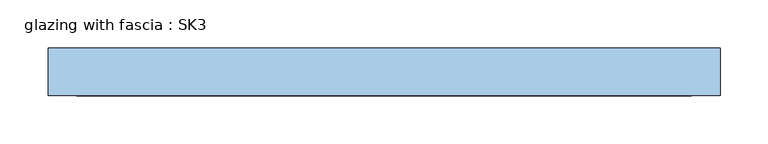
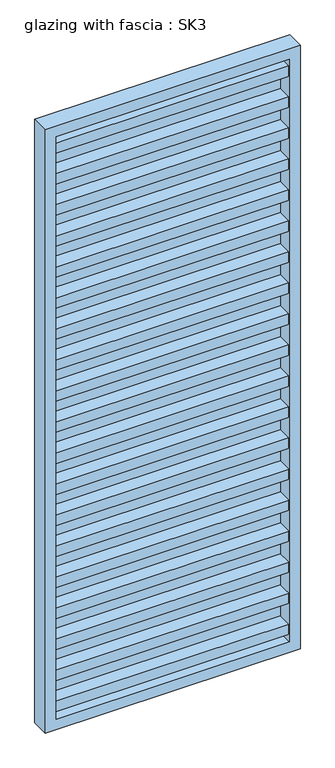
"""IFC4 building model written with IfcOpenShell, lengths in millimetres: window geometry, glazing with fascia : SK3."""

import ifcopenshell
import ifcopenshell.guid

model = None  # the IFC model being written
_history = None  # IfcOwnerHistory: only IFC2X3 demands one
_inside = {}  # id of a spatial element -> (the spatial element, [elements in it])
_under = {}  # id of a project, library or spatial element -> (it, [spatial elements below it])
_declared = {}  # id of a project -> (the project, [libraries it declares])
_typed = {}  # id of a type object -> (the type object, [elements of that type])
_made_of = {}  # id of a material, layer set ... -> (it, [elements and type objects made of it])


def new_model(schema):
    """Start an empty IFC model of exactly this schema.

    Asked for "IFC4X3", IfcOpenShell would pick the latest addendum, in which some entities
    have other attributes; the version numbers below select the first issue.
    IFC2X3 requires an IfcOwnerHistory on every rooted entity: one is made here for all.
    """
    global model, _history
    if schema == "IFC4X3":
        model = ifcopenshell.file(schema_version=(4, 3, 0, 0))
    else:
        model = ifcopenshell.file(schema=schema)
    _inside.clear()
    _under.clear()
    _declared.clear()
    _typed.clear()
    _made_of.clear()
    _history = None
    if model.schema == "IFC2X3":
        org = make("IfcOrganization", Name="unknown")
        user = make(
            "IfcPersonAndOrganization",
            ThePerson=make("IfcPerson", FamilyName="unknown"),
            TheOrganization=org,
        )
        app = make(
            "IfcApplication",
            ApplicationDeveloper=org,
            Version="unknown",
            ApplicationFullName="unknown",
            ApplicationIdentifier="unknown",
        )
        _history = make(
            "IfcOwnerHistory",
            OwningUser=user,
            OwningApplication=app,
            ChangeAction="ADDED",
            CreationDate=0,
        )
    return model


def make(cls, **values):
    """One entity of the class cls with the attributes given. An attribute that is None is left unset."""
    return model.create_entity(
        cls, **{name: value for name, value in values.items() if value is not None}
    )


def rooted(cls, **values):
    """An entity with a GlobalId (a new one), such as an element, a storey or a relation."""
    return make(cls, GlobalId=ifcopenshell.guid.new(), OwnerHistory=_history, **values)


def si_unit(unit_type, name, prefix=None):
    """IfcSIUnit, for example si_unit("LENGTHUNIT", "METRE", prefix="MILLI")."""
    return make("IfcSIUnit", UnitType=unit_type, Prefix=prefix, Name=name)


def assignment(units):
    """IfcUnitAssignment: the units of a project."""
    return None if units is None else make("IfcUnitAssignment", Units=units)


def point(xyz):
    """IfcCartesianPoint."""
    return None if xyz is None else make("IfcCartesianPoint", Coordinates=xyz)


def direction(xyz):
    """IfcDirection."""
    return None if xyz is None else make("IfcDirection", DirectionRatios=xyz)


def frame(location, z_axis=None, x_axis=None):
    """IfcAxis2Placement3D, a coordinate frame: its origin and axes. An axis left out is left unset."""
    return make(
        "IfcAxis2Placement3D",
        Location=point(location),
        Axis=direction(z_axis),
        RefDirection=direction(x_axis),
    )


def origin():
    """The frame at (0, 0, 0) with its axes left unset."""
    return frame((0.0, 0.0, 0.0))


def place(relative_to, where):
    """IfcLocalPlacement: puts the frame where relative to a parent placement (None: the world)."""
    return make(
        "IfcLocalPlacement", PlacementRelTo=relative_to, RelativePlacement=where
    )


def context(
    kind, dimensions, precision=None, world=None, true_north=None, identifier=None
):
    """IfcGeometricRepresentationContext, for example the 3D "Model" context."""
    return make(
        "IfcGeometricRepresentationContext",
        ContextIdentifier=identifier,
        ContextType=kind,
        CoordinateSpaceDimension=dimensions,
        Precision=precision,
        WorldCoordinateSystem=world,
        TrueNorth=true_north,
    )


def project(units=None, contexts=None):
    """IfcProject with its units and contexts."""
    return rooted(
        "IfcProject",
        Name="project",
        RepresentationContexts=contexts,
        UnitsInContext=assignment(units),
    )


def spatial(cls, under=None, at=None, **own):
    """A site, building, storey or space (cls), placed at a placement, below another one or the project."""
    s = rooted(cls, ObjectPlacement=at, **own)
    if under is not None:
        _under.setdefault(under.id(), (under, []))[1].append(s)
    return s


def polyline(points):
    """IfcPolyline through the points."""
    return make("IfcPolyline", Points=[point(p) for p in points])


def outline(outer, holes=None, kind="AREA"):
    """IfcArbitraryClosedProfileDef: a profile drawn as a closed curve; with holes, ...WithVoids."""
    if holes is None:
        return make("IfcArbitraryClosedProfileDef", ProfileType=kind, OuterCurve=outer)
    return make(
        "IfcArbitraryProfileDefWithVoids",
        ProfileType=kind,
        OuterCurve=outer,
        InnerCurves=holes,
    )


def extrude(swept, where, along, depth):
    """IfcExtrudedAreaSolid: the profile swept, set in the frame where, extruded along a direction by depth."""
    return make(
        "IfcExtrudedAreaSolid",
        SweptArea=swept,
        Position=where,
        ExtrudedDirection=direction(along),
        Depth=depth,
    )


def shape(context_of_items, identifier, shape_type, items):
    """IfcShapeRepresentation: the items that make up one representation, for example the "Body"."""
    return make(
        "IfcShapeRepresentation",
        ContextOfItems=context_of_items,
        RepresentationIdentifier=identifier,
        RepresentationType=shape_type,
        Items=items,
    )


def source(mapping_origin, context_of_items, identifier, shape_type, items):
    """IfcRepresentationMap: a shape defined once, which mapped items show again and again."""
    return make(
        "IfcRepresentationMap",
        MappingOrigin=mapping_origin,
        MappedRepresentation=shape(context_of_items, identifier, shape_type, items),
    )


def transform(
    local_origin,
    x_axis=None,
    y_axis=None,
    z_axis=None,
    scale=None,
    scale2=None,
    scale3=None,
    uniform=True,
):
    """IfcCartesianTransformationOperator3D, or its non-uniform kind. x_axis, y_axis, z_axis: its Axis1, 2, 3."""
    if uniform:
        return make(
            "IfcCartesianTransformationOperator3D",
            Axis1=direction(x_axis),
            Axis2=direction(y_axis),
            LocalOrigin=point(local_origin),
            Scale=scale,
            Axis3=direction(z_axis),
        )
    return make(
        "IfcCartesianTransformationOperator3DnonUniform",
        Axis1=direction(x_axis),
        Axis2=direction(y_axis),
        LocalOrigin=point(local_origin),
        Scale=scale,
        Axis3=direction(z_axis),
        Scale2=scale2,
        Scale3=scale3,
    )


def mapped(mapping_source, mapping_target):
    """IfcMappedItem: shows the shape of a source again, moved by a transform."""
    return make(
        "IfcMappedItem", MappingSource=mapping_source, MappingTarget=mapping_target
    )


def made_of(thing, what):
    """Note that an element or type object is made of a material, layer set ...; save() writes the relation."""
    if what is not None:
        _made_of.setdefault(what.id(), (what, []))[1].append(thing)
    return thing


def element(
    cls,
    number,
    at=None,
    inside=None,
    cuts=None,
    type_object=None,
    material=None,
    context=None,
    identifier="Body",
    shape_type=None,
    held_by="IfcProductDefinitionShape",
    body=None,
    shapes=None,
    **own,
):
    """One element of the class cls, such as IfcWall. Its Tag is "e" and its number.

    at: its placement. inside: the storey or other place that contains it. cuts: it is an
    opening in that element (IfcRelVoidsElement). A single representation is given by context,
    identifier, shape_type and body (its items); several are given by shapes. held_by: the class
    of the entity that holds the representations. save() writes the other relations.
    """
    e = rooted(cls, Tag="e%d" % number, ObjectPlacement=at, **own)
    if body is not None:
        shapes = [shape(context, identifier, shape_type, body)]
    if shapes is not None:
        e.Representation = make(held_by, Representations=shapes)
    if inside is not None:
        _inside.setdefault(inside.id(), (inside, []))[1].append(e)
    if cuts is not None:
        rooted(
            "IfcRelVoidsElement", RelatingBuildingElement=cuts, RelatedOpeningElement=e
        )
    if type_object is not None:
        _typed.setdefault(type_object.id(), (type_object, []))[1].append(e)
    return made_of(e, material)


def aggregate(whole, parts):
    """IfcRelAggregates: a whole, such as a stair, and the parts it consists of."""
    return rooted("IfcRelAggregates", RelatingObject=whole, RelatedObjects=parts)


def save(model, path):
    """Write the relations noted so far, then the file.

    IfcRelAggregates (storeys below a building ...), IfcRelContainedInSpatialStructure (elements
    in a storey), IfcRelDefinesByType, IfcRelAssociatesMaterial and IfcRelDeclares: one each for
    every whole, place, type object, material and project.
    """
    for whole, parts in _under.values():
        aggregate(whole, parts)
    for where, things in _inside.values():
        rooted(
            "IfcRelContainedInSpatialStructure",
            RelatedElements=things,
            RelatingStructure=where,
        )
    for kind, things in _typed.values():
        rooted("IfcRelDefinesByType", RelatedObjects=things, RelatingType=kind)
    for what, things in _made_of.values():
        rooted("IfcRelAssociatesMaterial", RelatedObjects=things, RelatingMaterial=what)
    for by, libraries in _declared.values():
        rooted("IfcRelDeclares", RelatingContext=by, RelatedDefinitions=libraries)
    model.write(path)


def glazing_with_fascia_sk3_a3fac17d(model_context):
    return source(origin(), model_context, "Body", "SweptSolid", [
        extrude(outline(polyline([(320.0, -0.1334055), (320.0, -8.1334055), (-320.0, -8.1334055), (-320.0, -0.1334055), (320.0, -0.1334055)])), frame((0.0, 0.0, 30.0), z_axis=(0.0, 0.0, 1.0), x_axis=(1.0, 0.0, 0.0)), (0.0, 0.0, 1.0), 1690.0),
        extrude(outline(polyline([(1750.0, -350.0), (0.0, -350.0), (0.0, 350.0), (1750.0, 350.0), (1750.0, -350.0)]), holes=[polyline([(1720.0, -320.0), (1720.0, 320.0), (30.0, 320.0), (30.0, -320.0), (1720.0, -320.0)])]), frame((0.0, -50.0, 0.0), z_axis=(0.0, 1.0, 0.0), x_axis=(0.0, 0.0, 1.0)), (0.0, 0.0, 1.0), 50.0),
        extrude(outline(polyline([(-320.0, -48.1334055), (-320.0, -8.1334055), (320.0, -8.1334055), (320.0, -48.1334055), (-320.0, -48.1334055)])), frame((0.0, 0.0, 1580.4), z_axis=(0.0, 0.0, 1.0), x_axis=(1.0, 0.0, 0.0)), (0.0, 0.0, 1.0), 30.0),
        extrude(outline(polyline([(-320.0, -48.1334055), (-320.0, -8.1334055), (320.0, -8.1334055), (320.0, -48.1334055), (-320.0, -48.1334055)])), frame((0.0, 0.0, 1490.4), z_axis=(0.0, 0.0, 1.0), x_axis=(1.0, 0.0, 0.0)), (0.0, 0.0, 1.0), 30.0),
        extrude(outline(polyline([(-320.0, -48.1334055), (-320.0, -8.1334055), (320.0, -8.1334055), (320.0, -48.1334055), (-320.0, -48.1334055)])), frame((0.0, 0.0, 1400.4), z_axis=(0.0, 0.0, 1.0), x_axis=(1.0, 0.0, 0.0)), (0.0, 0.0, 1.0), 30.0),
        extrude(outline(polyline([(-320.0, -48.1334055), (-320.0, -8.1334055), (320.0, -8.1334055), (320.0, -48.1334055), (-320.0, -48.1334055)])), frame((0.0, 0.0, 1310.4), z_axis=(0.0, 0.0, 1.0), x_axis=(1.0, 0.0, 0.0)), (0.0, 0.0, 1.0), 30.0),
        extrude(outline(polyline([(-320.0, -48.1334055), (-320.0, -8.1334055), (320.0, -8.1334055), (320.0, -48.1334055), (-320.0, -48.1334055)])), frame((0.0, 0.0, 1220.4), z_axis=(0.0, 0.0, 1.0), x_axis=(1.0, 0.0, 0.0)), (0.0, 0.0, 1.0), 30.0),
        extrude(outline(polyline([(-320.0, -48.1334055), (-320.0, -8.1334055), (320.0, -8.1334055), (320.0, -48.1334055), (-320.0, -48.1334055)])), frame((0.0, 0.0, 1130.4), z_axis=(0.0, 0.0, 1.0), x_axis=(1.0, 0.0, 0.0)), (0.0, 0.0, 1.0), 30.0),
        extrude(outline(polyline([(-320.0, -48.1334055), (-320.0, -8.1334055), (320.0, -8.1334055), (320.0, -48.1334055), (-320.0, -48.1334055)])), frame((0.0, 0.0, 1040.4), z_axis=(0.0, 0.0, 1.0), x_axis=(1.0, 0.0, 0.0)), (0.0, 0.0, 1.0), 30.0),
        extrude(outline(polyline([(-320.0, -48.1334055), (-320.0, -8.1334055), (320.0, -8.1334055), (320.0, -48.1334055), (-320.0, -48.1334055)])), frame((0.0, 0.0, 950.4), z_axis=(0.0, 0.0, 1.0), x_axis=(1.0, 0.0, 0.0)), (0.0, 0.0, 1.0), 30.0),
        extrude(outline(polyline([(-320.0, -48.1334055), (-320.0, -8.1334055), (320.0, -8.1334055), (320.0, -48.1334055), (-320.0, -48.1334055)])), frame((0.0, 0.0, 860.4), z_axis=(0.0, 0.0, 1.0), x_axis=(1.0, 0.0, 0.0)), (0.0, 0.0, 1.0), 30.0),
        extrude(outline(polyline([(-320.0, -48.1334055), (-320.0, -8.1334055), (320.0, -8.1334055), (320.0, -48.1334055), (-320.0, -48.1334055)])), frame((0.0, 0.0, 770.4), z_axis=(0.0, 0.0, 1.0), x_axis=(1.0, 0.0, 0.0)), (0.0, 0.0, 1.0), 30.0),
        extrude(outline(polyline([(-320.0, -48.1334055), (-320.0, -8.1334055), (320.0, -8.1334055), (320.0, -48.1334055), (-320.0, -48.1334055)])), frame((0.0, 0.0, 680.4), z_axis=(0.0, 0.0, 1.0), x_axis=(1.0, 0.0, 0.0)), (0.0, 0.0, 1.0), 30.0),
        extrude(outline(polyline([(-320.0, -48.1334055), (-320.0, -8.1334055), (320.0, -8.1334055), (320.0, -48.1334055), (-320.0, -48.1334055)])), frame((0.0, 0.0, 590.4), z_axis=(0.0, 0.0, 1.0), x_axis=(1.0, 0.0, 0.0)), (0.0, 0.0, 1.0), 30.0),
        extrude(outline(polyline([(-320.0, -48.1334055), (-320.0, -8.1334055), (320.0, -8.1334055), (320.0, -48.1334055), (-320.0, -48.1334055)])), frame((0.0, 0.0, 500.4), z_axis=(0.0, 0.0, 1.0), x_axis=(1.0, 0.0, 0.0)), (0.0, 0.0, 1.0), 30.0),
        extrude(outline(polyline([(-320.0, -48.1334055), (-320.0, -8.1334055), (320.0, -8.1334055), (320.0, -48.1334055), (-320.0, -48.1334055)])), frame((0.0, 0.0, 410.4), z_axis=(0.0, 0.0, 1.0), x_axis=(1.0, 0.0, 0.0)), (0.0, 0.0, 1.0), 30.0),
        extrude(outline(polyline([(-320.0, -48.1334055), (-320.0, -8.1334055), (320.0, -8.1334055), (320.0, -48.1334055), (-320.0, -48.1334055)])), frame((0.0, 0.0, 320.4), z_axis=(0.0, 0.0, 1.0), x_axis=(1.0, 0.0, 0.0)), (0.0, 0.0, 1.0), 30.0),
        extrude(outline(polyline([(-320.0, -48.1334055), (-320.0, -8.1334055), (320.0, -8.1334055), (320.0, -48.1334055), (-320.0, -48.1334055)])), frame((0.0, 0.0, 230.4), z_axis=(0.0, 0.0, 1.0), x_axis=(1.0, 0.0, 0.0)), (0.0, 0.0, 1.0), 30.0),
        extrude(outline(polyline([(-320.0, -48.1334055), (-320.0, -8.1334055), (320.0, -8.1334055), (320.0, -48.1334055), (-320.0, -48.1334055)])), frame((0.0, 0.0, 140.4), z_axis=(0.0, 0.0, 1.0), x_axis=(1.0, 0.0, 0.0)), (0.0, 0.0, 1.0), 30.0),
        extrude(outline(polyline([(-320.0, -48.1334055), (-320.0, -8.1334055), (320.0, -8.1334055), (320.0, -48.1334055), (-320.0, -48.1334055)])), frame((0.0, 0.0, 50.4), z_axis=(0.0, 0.0, 1.0), x_axis=(1.0, 0.0, 0.0)), (0.0, 0.0, 1.0), 30.0),
        extrude(outline(polyline([(-320.0, -48.1334055), (-320.0, -8.1334055), (320.0, -8.1334055), (320.0, -48.1334055), (-320.0, -48.1334055)])), frame((0.0, 0.0, 1670.0), z_axis=(0.0, 0.0, 1.0), x_axis=(1.0, 0.0, 0.0)), (0.0, 0.0, 1.0), 30.0),
    ])


if __name__ == "__main__":
    model = new_model("IFC4")
    model_context = context("Model", 3, world=origin())
    ifc_project = project(units=[si_unit("LENGTHUNIT", "METRE", prefix="MILLI")], contexts=[model_context])
    site = spatial("IfcSite", under=ifc_project)
    building = spatial("IfcBuilding", under=site)
    placement = place(None, origin())
    glazing_with_fascia_sk3_shape = glazing_with_fascia_sk3_a3fac17d(model_context)
    element("IfcWindow", 1, ObjectType="glazing with fascia : SK3", at=placement, inside=building, context=model_context, shape_type="MappedRepresentation", body=[
        mapped(glazing_with_fascia_sk3_shape, transform((0.0, 0.0, 0.0), x_axis=(1.0, 0.0, 0.0), y_axis=(0.0, 1.0, 0.0), z_axis=(0.0, 0.0, 1.0))),
    ])
    save(model, "model.ifc")
